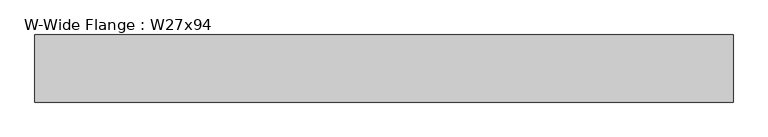
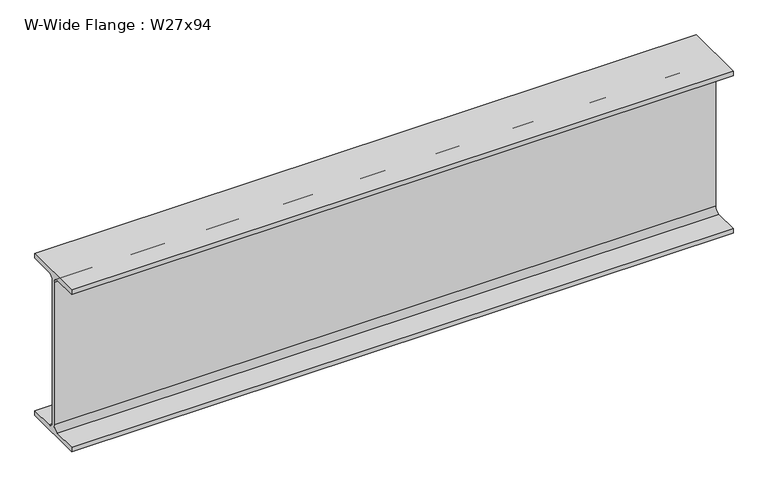
"""IFC4 building model written with IfcOpenShell, lengths in millimetres: beam geometry, W-Wide Flange : W27x94."""

from ifc_helpers import new_model, si_unit, point, frame, frame_2d, origin, place, context, project, spatial, polyline, circle_curve, trimmed, segment, composite_curve, outline, extrude, source, transform, mapped, element, save


def w_wide_flange_w27x94_157400d4(model_context):
    return source(origin(), model_context, "Body", "SweptSolid", [
        extrude(outline(composite_curve([segment(polyline([(-127.0, -322.707), (-28.575, -322.707)]), True, "CONTINUOUS"), segment(trimmed(circle_curve(frame_2d((-28.575, -300.355)), 22.352), [point((-28.575, -322.707))], [point((-6.223, -300.355))], True, "CARTESIAN"), True, "CONTINUOUS"), segment(polyline([(-6.223, -300.355), (-6.223, 300.355)]), True, "CONTINUOUS"), segment(trimmed(circle_curve(frame_2d((-28.575, 300.355)), 22.352), [point((-6.223, 300.355))], [point((-28.575, 322.707))], True, "CARTESIAN"), True, "CONTINUOUS"), segment(polyline([(-28.575, 322.707), (-127.0, 322.707), (-127.0, 341.63), (127.0, 341.63), (127.0, 322.707), (28.575, 322.707)]), True, "CONTINUOUS"), segment(trimmed(circle_curve(frame_2d((28.575, 300.355)), 22.352), [point((28.575, 322.707))], [point((6.223, 300.355))], True, "CARTESIAN"), True, "CONTINUOUS"), segment(polyline([(6.223, 300.355), (6.223, -300.355)]), True, "CONTINUOUS"), segment(trimmed(circle_curve(frame_2d((28.575, -300.355)), 22.352), [point((6.223, -300.355))], [point((28.575, -322.707))], True, "CARTESIAN"), True, "CONTINUOUS"), segment(polyline([(28.575, -322.707), (127.0, -322.707), (127.0, -341.63), (-127.0, -341.63), (-127.0, -322.707)]), True, "CONTINUOUS")], self_intersect=False)), frame((-1458.3260011, 0.0, 0.0), z_axis=(1.0, 0.0, 0.0), x_axis=(0.0, 1.0, 0.0)), (0.0, 0.0, 1.0), 2642.7701079),
    ])


if __name__ == "__main__":
    model = new_model("IFC4")
    model_context = context("Model", 3, world=origin())
    ifc_project = project(units=[si_unit("LENGTHUNIT", "METRE", prefix="MILLI")], contexts=[model_context])
    site = spatial("IfcSite", under=ifc_project)
    building = spatial("IfcBuilding", under=site)
    placement = place(None, origin())
    w_wide_flange_w27x94_shape = w_wide_flange_w27x94_157400d4(model_context)
    element("IfcBeam", 1, ObjectType="W-Wide Flange : W27x94", at=placement, inside=building, context=model_context, shape_type="MappedRepresentation", body=[
        mapped(w_wide_flange_w27x94_shape, transform((0.0, 0.0, 0.0), x_axis=(1.0, 0.0, 0.0), y_axis=(0.0, 1.0, 0.0), z_axis=(0.0, 0.0, 1.0))),
    ])
    save(model, "model.ifc")
